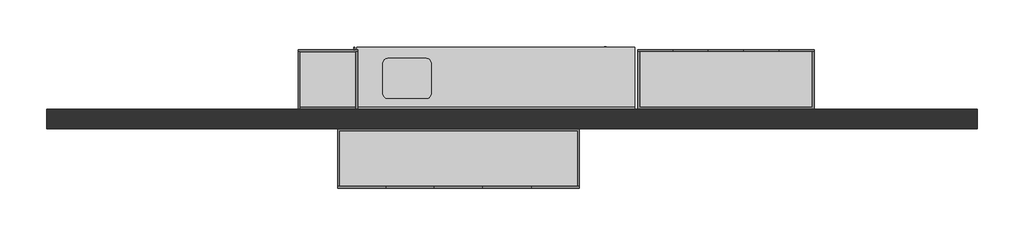
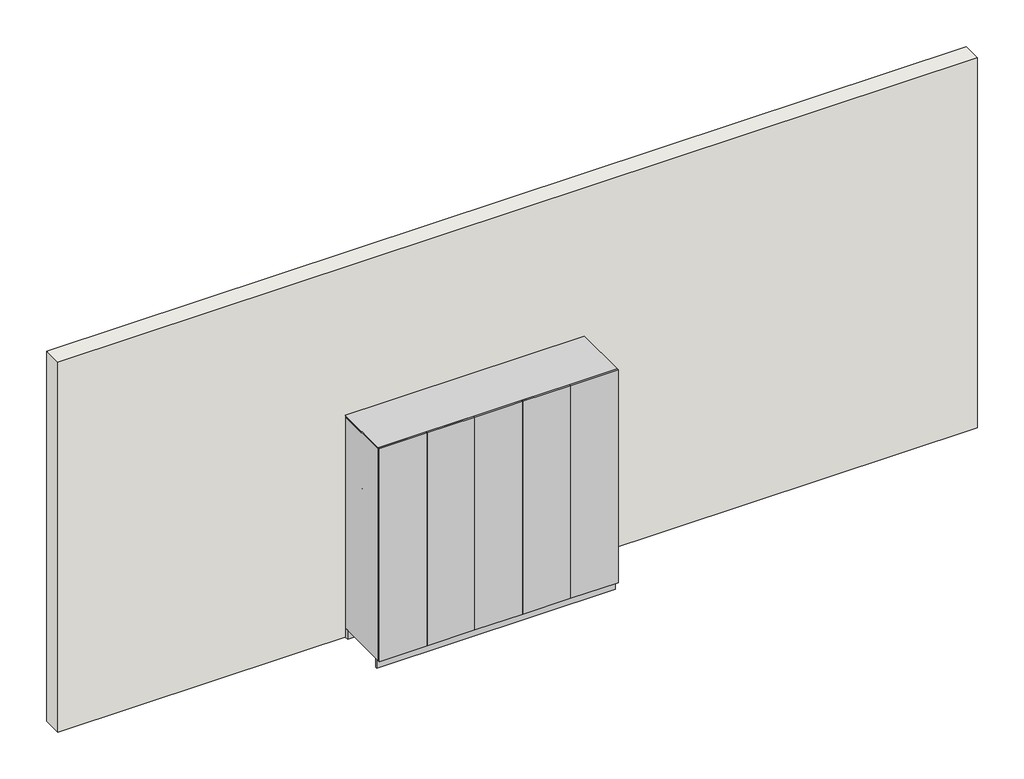
# One storey: 8 furniture elements, 1 wall.
"""IFC4 building model written with IfcOpenShell, lengths in millimetres."""

import ifcopenshell
import ifcopenshell.guid

model = None  # the IFC model being written
_history = None  # IfcOwnerHistory: only IFC2X3 demands one
_inside = {}  # id of a spatial element -> (the spatial element, [elements in it])
_under = {}  # id of a project, library or spatial element -> (it, [spatial elements below it])
_declared = {}  # id of a project -> (the project, [libraries it declares])
_typed = {}  # id of a type object -> (the type object, [elements of that type])
_made_of = {}  # id of a material, layer set ... -> (it, [elements and type objects made of it])


def new_model(schema):
    """Start an empty IFC model of exactly this schema.

    Asked for "IFC4X3", IfcOpenShell would pick the latest addendum, in which some entities
    have other attributes; the version numbers below select the first issue.
    IFC2X3 requires an IfcOwnerHistory on every rooted entity: one is made here for all.
    """
    global model, _history
    if schema == "IFC4X3":
        model = ifcopenshell.file(schema_version=(4, 3, 0, 0))
    else:
        model = ifcopenshell.file(schema=schema)
    _inside.clear()
    _under.clear()
    _declared.clear()
    _typed.clear()
    _made_of.clear()
    _history = None
    if model.schema == "IFC2X3":
        org = make("IfcOrganization", Name="unknown")
        user = make(
            "IfcPersonAndOrganization",
            ThePerson=make("IfcPerson", FamilyName="unknown"),
            TheOrganization=org,
        )
        app = make(
            "IfcApplication",
            ApplicationDeveloper=org,
            Version="unknown",
            ApplicationFullName="unknown",
            ApplicationIdentifier="unknown",
        )
        _history = make(
            "IfcOwnerHistory",
            OwningUser=user,
            OwningApplication=app,
            ChangeAction="ADDED",
            CreationDate=0,
        )
    return model


def make(cls, **values):
    """One entity of the class cls with the attributes given. An attribute that is None is left unset."""
    return model.create_entity(
        cls, **{name: value for name, value in values.items() if value is not None}
    )


def rooted(cls, **values):
    """An entity with a GlobalId (a new one), such as an element, a storey or a relation."""
    return make(cls, GlobalId=ifcopenshell.guid.new(), OwnerHistory=_history, **values)


def si_unit(unit_type, name, prefix=None):
    """IfcSIUnit, for example si_unit("LENGTHUNIT", "METRE", prefix="MILLI")."""
    return make("IfcSIUnit", UnitType=unit_type, Prefix=prefix, Name=name)


def assignment(units):
    """IfcUnitAssignment: the units of a project."""
    return None if units is None else make("IfcUnitAssignment", Units=units)


def point(xyz):
    """IfcCartesianPoint."""
    return None if xyz is None else make("IfcCartesianPoint", Coordinates=xyz)


def direction(xyz):
    """IfcDirection."""
    return None if xyz is None else make("IfcDirection", DirectionRatios=xyz)


def frame(location, z_axis=None, x_axis=None):
    """IfcAxis2Placement3D, a coordinate frame: its origin and axes. An axis left out is left unset."""
    return make(
        "IfcAxis2Placement3D",
        Location=point(location),
        Axis=direction(z_axis),
        RefDirection=direction(x_axis),
    )


def frame_2d(location, x_axis=None):
    """IfcAxis2Placement2D, a coordinate frame in the plane: its origin and x axis."""
    return make(
        "IfcAxis2Placement2D", Location=point(location), RefDirection=direction(x_axis)
    )


def origin():
    """The frame at (0, 0, 0) with its axes left unset."""
    return frame((0.0, 0.0, 0.0))


def origin_with_axes():
    """The frame at (0, 0, 0) with the z axis (0, 0, 1) and the x axis (1, 0, 0) written out."""
    return frame((0.0, 0.0, 0.0), z_axis=(0.0, 0.0, 1.0), x_axis=(1.0, 0.0, 0.0))


def place(relative_to, where):
    """IfcLocalPlacement: puts the frame where relative to a parent placement (None: the world)."""
    return make(
        "IfcLocalPlacement", PlacementRelTo=relative_to, RelativePlacement=where
    )


def context(
    kind, dimensions, precision=None, world=None, true_north=None, identifier=None
):
    """IfcGeometricRepresentationContext, for example the 3D "Model" context."""
    return make(
        "IfcGeometricRepresentationContext",
        ContextIdentifier=identifier,
        ContextType=kind,
        CoordinateSpaceDimension=dimensions,
        Precision=precision,
        WorldCoordinateSystem=world,
        TrueNorth=true_north,
    )


def project(units=None, contexts=None):
    """IfcProject with its units and contexts."""
    return rooted(
        "IfcProject",
        Name="project",
        RepresentationContexts=contexts,
        UnitsInContext=assignment(units),
    )


def spatial(cls, under=None, at=None, **own):
    """A site, building, storey or space (cls), placed at a placement, below another one or the project."""
    s = rooted(cls, ObjectPlacement=at, **own)
    if under is not None:
        _under.setdefault(under.id(), (under, []))[1].append(s)
    return s


def polyline(points):
    """IfcPolyline through the points."""
    return make("IfcPolyline", Points=[point(p) for p in points])


def circle_curve(where, radius):
    """IfcCircle in the frame where."""
    return make("IfcCircle", Position=where, Radius=radius)


def ellipse_curve(where, semi_axis1, semi_axis2):
    """IfcEllipse in the frame where."""
    return make(
        "IfcEllipse", Position=where, SemiAxis1=semi_axis1, SemiAxis2=semi_axis2
    )


def trimmed(basis, trim1, trim2, sense, master):
    """IfcTrimmedCurve: the piece of a basis curve between two trims."""
    return make(
        "IfcTrimmedCurve",
        BasisCurve=basis,
        Trim1=trim1,
        Trim2=trim2,
        SenseAgreement=sense,
        MasterRepresentation=master,
    )


def segment(curve, same_sense, transition):
    """IfcCompositeCurveSegment."""
    return make(
        "IfcCompositeCurveSegment",
        Transition=transition,
        SameSense=same_sense,
        ParentCurve=curve,
    )


def composite_curve(segments, self_intersect=None):
    """IfcCompositeCurve: segments joined end to end."""
    return make("IfcCompositeCurve", Segments=segments, SelfIntersect=self_intersect)


def outline(outer, holes=None, kind="AREA"):
    """IfcArbitraryClosedProfileDef: a profile drawn as a closed curve; with holes, ...WithVoids."""
    if holes is None:
        return make("IfcArbitraryClosedProfileDef", ProfileType=kind, OuterCurve=outer)
    return make(
        "IfcArbitraryProfileDefWithVoids",
        ProfileType=kind,
        OuterCurve=outer,
        InnerCurves=holes,
    )


def extrude(swept, where, along, depth):
    """IfcExtrudedAreaSolid: the profile swept, set in the frame where, extruded along a direction by depth."""
    return make(
        "IfcExtrudedAreaSolid",
        SweptArea=swept,
        Position=where,
        ExtrudedDirection=direction(along),
        Depth=depth,
    )


def faces_of(points, faces, orient=None, outer=None):
    """IfcFace entities. A face is a list of loops; a loop is a list of indices into points, from 0.

    orient and outer hold one flag for each loop. By default every Orientation is true, the
    first loop of a face is its IfcFaceOuterBound and the others are IfcFaceBound.
    """
    made = []
    for i, loops in enumerate(faces):
        bounds = []
        for j, loop in enumerate(loops):
            is_outer = j == 0 if outer is None else outer[i][j]
            bounds.append(
                make(
                    "IfcFaceOuterBound" if is_outer else "IfcFaceBound",
                    Bound=make("IfcPolyLoop", Polygon=[points[k] for k in loop]),
                    Orientation=True if orient is None else orient[i][j],
                )
            )
        made.append(make("IfcFace", Bounds=bounds))
    return made


def faceted_brep(points, faces, orient=None, outer=None, voids=None):
    """IfcFacetedBrep: a solid bounded by flat faces; with voids (closed shells), ...WithVoids."""
    shared = [point(p) for p in points]
    hull = make("IfcClosedShell", CfsFaces=faces_of(shared, faces, orient, outer))
    if voids is None:
        return make("IfcFacetedBrep", Outer=hull)
    return make(
        "IfcFacetedBrepWithVoids",
        Outer=hull,
        Voids=[
            make(cls, CfsFaces=faces_of(shared, fs, o, b)) for cls, fs, o, b in voids
        ],
    )


def shape(context_of_items, identifier, shape_type, items):
    """IfcShapeRepresentation: the items that make up one representation, for example the "Body"."""
    return make(
        "IfcShapeRepresentation",
        ContextOfItems=context_of_items,
        RepresentationIdentifier=identifier,
        RepresentationType=shape_type,
        Items=items,
    )


def source(mapping_origin, context_of_items, identifier, shape_type, items):
    """IfcRepresentationMap: a shape defined once, which mapped items show again and again."""
    return make(
        "IfcRepresentationMap",
        MappingOrigin=mapping_origin,
        MappedRepresentation=shape(context_of_items, identifier, shape_type, items),
    )


def transform(
    local_origin,
    x_axis=None,
    y_axis=None,
    z_axis=None,
    scale=None,
    scale2=None,
    scale3=None,
    uniform=True,
):
    """IfcCartesianTransformationOperator3D, or its non-uniform kind. x_axis, y_axis, z_axis: its Axis1, 2, 3."""
    if uniform:
        return make(
            "IfcCartesianTransformationOperator3D",
            Axis1=direction(x_axis),
            Axis2=direction(y_axis),
            LocalOrigin=point(local_origin),
            Scale=scale,
            Axis3=direction(z_axis),
        )
    return make(
        "IfcCartesianTransformationOperator3DnonUniform",
        Axis1=direction(x_axis),
        Axis2=direction(y_axis),
        LocalOrigin=point(local_origin),
        Scale=scale,
        Axis3=direction(z_axis),
        Scale2=scale2,
        Scale3=scale3,
    )


def mapped(mapping_source, mapping_target):
    """IfcMappedItem: shows the shape of a source again, moved by a transform."""
    return make(
        "IfcMappedItem", MappingSource=mapping_source, MappingTarget=mapping_target
    )


def made_of(thing, what):
    """Note that an element or type object is made of a material, layer set ...; save() writes the relation."""
    if what is not None:
        _made_of.setdefault(what.id(), (what, []))[1].append(thing)
    return thing


def element(
    cls,
    number,
    at=None,
    inside=None,
    cuts=None,
    type_object=None,
    material=None,
    context=None,
    identifier="Body",
    shape_type=None,
    held_by="IfcProductDefinitionShape",
    body=None,
    shapes=None,
    **own,
):
    """One element of the class cls, such as IfcWall. Its Tag is "e" and its number.

    at: its placement. inside: the storey or other place that contains it. cuts: it is an
    opening in that element (IfcRelVoidsElement). A single representation is given by context,
    identifier, shape_type and body (its items); several are given by shapes. held_by: the class
    of the entity that holds the representations. save() writes the other relations.
    """
    e = rooted(cls, Tag="e%d" % number, ObjectPlacement=at, **own)
    if body is not None:
        shapes = [shape(context, identifier, shape_type, body)]
    if shapes is not None:
        e.Representation = make(held_by, Representations=shapes)
    if inside is not None:
        _inside.setdefault(inside.id(), (inside, []))[1].append(e)
    if cuts is not None:
        rooted(
            "IfcRelVoidsElement", RelatingBuildingElement=cuts, RelatedOpeningElement=e
        )
    if type_object is not None:
        _typed.setdefault(type_object.id(), (type_object, []))[1].append(e)
    return made_of(e, material)


def aggregate(whole, parts):
    """IfcRelAggregates: a whole, such as a stair, and the parts it consists of."""
    return rooted("IfcRelAggregates", RelatingObject=whole, RelatedObjects=parts)


def save(model, path):
    """Write the relations noted so far, then the file.

    IfcRelAggregates (storeys below a building ...), IfcRelContainedInSpatialStructure (elements
    in a storey), IfcRelDefinesByType, IfcRelAssociatesMaterial and IfcRelDeclares: one each for
    every whole, place, type object, material and project.
    """
    for whole, parts in _under.values():
        aggregate(whole, parts)
    for where, things in _inside.values():
        rooted(
            "IfcRelContainedInSpatialStructure",
            RelatedElements=things,
            RelatingStructure=where,
        )
    for kind, things in _typed.values():
        rooted("IfcRelDefinesByType", RelatedObjects=things, RelatingType=kind)
    for what, things in _made_of.values():
        rooted("IfcRelAssociatesMaterial", RelatedObjects=things, RelatingMaterial=what)
    for by, libraries in _declared.values():
        rooted("IfcRelDeclares", RelatingContext=by, RelatedDefinitions=libraries)
    model.write(path)


def plane_surface(at):
    """IfcPlane: the flat surface through the origin of the frame at, square to its z axis."""
    return make("IfcPlane", Position=at)


def cylinder_surface(at, radius):
    """IfcCylindricalSurface: all points at the distance radius from the z axis of the frame at."""
    return make("IfcCylindricalSurface", Position=at, Radius=radius)


def revolved_surface(curve, axis_point, axis_direction):
    """IfcSurfaceOfRevolution: the curve turned about the line through axis_point along axis_direction."""
    return make(
        "IfcSurfaceOfRevolution",
        SweptCurve=make("IfcArbitraryOpenProfileDef", ProfileType="CURVE", Curve=curve),
        AxisPosition=make("IfcAxis1Placement", Location=point(axis_point), Axis=direction(axis_direction)),
    )


def advanced_brep(points, edges, surfaces, faces):
    """IfcAdvancedBrep: a solid bounded by faces that lie on surfaces and meet in shared edges.

    An edge is (start, end): straight between two places in points (the first is 0);
    or (start, end, curve); or (start, end, curve, False) where it runs against its curve.
    A face is (place in surfaces, loops), or (place, loops, False) where it looks against
    its surface's normal. A loop lists edges by number (the first is 1), with a minus sign
    where the edge is run from its end to its start. The first loop is the outer one.
    """
    corners = [point(p) for p in points]
    vertices = [make("IfcVertexPoint", VertexGeometry=c) for c in corners]
    made = []
    for start, end, *more in edges:
        made.append(
            make(
                "IfcEdgeCurve",
                EdgeStart=vertices[start],
                EdgeEnd=vertices[end],
                EdgeGeometry=more[0] if more else make("IfcPolyline", Points=[corners[start], corners[end]]),
                SameSense=more[1] if len(more) > 1 else True,
            )
        )
    hull = []
    for where, loops, *sense in faces:
        bounds = []
        for j, loop in enumerate(loops):
            ring = [make("IfcOrientedEdge", EdgeElement=made[abs(k) - 1], Orientation=k > 0) for k in loop]
            bounds.append(
                make(
                    "IfcFaceOuterBound" if j == 0 else "IfcFaceBound",
                    Bound=make("IfcEdgeLoop", EdgeList=ring),
                    Orientation=True,
                )
            )
        hull.append(make("IfcAdvancedFace", Bounds=bounds, FaceSurface=surfaces[where], SameSense=sense[0] if sense else True))
    return make("IfcAdvancedBrep", Outer=make("IfcClosedShell", CfsFaces=hull))


def furniture_24375a72(model_context):
    return source(origin(), model_context, "Body", "AdvancedBrep", [
        advanced_brep(
        [(-1200.4622951, -625.0, 900.0), (1604.8306198, -625.0, 900.0), (1604.8306198, -19.05, 900.0), (-1200.4622951, -19.05, 900.0), (905.8231953, -107.3, 900.0), (1293.2522145, -107.3, 900.0), (1344.0522145, -158.1, 900.0), (1344.0522145, -459.9, 900.0), (1293.2522145, -510.7, 900.0), (905.8231953, -510.7, 900.0), (855.0231953, -459.9, 900.0), (855.0231953, -158.1, 900.0), (1604.8306198, 0.0, 860.0), (1604.8306198, -625.0, 860.0), (-1200.4622951, -625.0, 860.0), (-1200.4622951, 0.0, 860.0), (1293.2522145, -107.3, 860.0), (905.8231953, -107.3, 860.0), (855.0231953, -158.1, 860.0), (855.0231953, -459.9, 860.0), (905.8231953, -510.7, 860.0), (1293.2522145, -510.7, 860.0), (1344.0522145, -459.9, 860.0), (1344.0522145, -158.1, 860.0), (-1200.4622951, 0.0, 1001.6), (1604.8306198, 0.0, 1001.6), (-1200.4622951, -19.05, 1001.6), (1604.8306198, -19.05, 1001.6)],
        [
            (0, 1),
            (1, 2),
            (2, 3),
            (3, 0),
            (4, 5),
            (5, 6, circle_curve(frame((1293.2522145, -158.1, 900.0), z_axis=(0.0, 0.0, -1.0), x_axis=(1.0, 0.0, 0.0)), 50.8)),
            (6, 7),
            (7, 8, circle_curve(frame((1293.2522145, -459.9, 900.0), z_axis=(0.0, 0.0, -1.0), x_axis=(1.0, 0.0, 0.0)), 50.8)),
            (8, 9),
            (9, 10, circle_curve(frame((905.8231953, -459.9, 900.0), z_axis=(0.0, 0.0, -1.0), x_axis=(1.0, 0.0, 0.0)), 50.8)),
            (10, 11),
            (11, 4, circle_curve(frame((905.8231953, -158.1, 900.0), z_axis=(0.0, 0.0, -1.0), x_axis=(1.0, 0.0, 0.0)), 50.8)),
            (12, 13),
            (13, 14),
            (14, 15),
            (15, 12),
            (16, 17),
            (17, 18, circle_curve(frame((905.8231953, -158.1, 860.0), z_axis=(0.0, 0.0, 1.0), x_axis=(1.0, 0.0, 0.0)), 50.8)),
            (18, 19),
            (19, 20, circle_curve(frame((905.8231953, -459.9, 860.0), z_axis=(0.0, 0.0, 1.0), x_axis=(1.0, 0.0, 0.0)), 50.8)),
            (20, 21),
            (21, 22, circle_curve(frame((1293.2522145, -459.9, 860.0), z_axis=(0.0, 0.0, 1.0), x_axis=(1.0, 0.0, 0.0)), 50.8)),
            (22, 23),
            (23, 16, circle_curve(frame((1293.2522145, -158.1, 860.0), z_axis=(0.0, 0.0, 1.0), x_axis=(1.0, 0.0, 0.0)), 50.8)),
            (15, 24),
            (24, 25),
            (25, 12),
            (14, 0),
            (3, 26),
            (26, 24),
            (13, 1),
            (25, 27),
            (27, 2),
            (26, 27),
            (4, 17),
            (16, 5),
            (11, 18),
            (10, 19),
            (9, 20),
            (8, 21),
            (7, 22),
            (6, 23),
        ],
        [
            plane_surface(frame((-1200.4622951, 0.0, 900.0), z_axis=(0.0, 0.0, 1.0), x_axis=(-1.0, 0.0, 0.0))),
            plane_surface(frame((-1200.4622951, 0.0, 860.0), z_axis=(0.0, 0.0, -1.0), x_axis=(1.0, 0.0, 0.0))),
            plane_surface(frame((1604.8306198, 0.0, 900.0), z_axis=(0.0, 1.0, 0.0), x_axis=(0.0, 0.0, -1.0))),
            plane_surface(frame((-1200.4622951, 0.0, 900.0), z_axis=(-1.0, 0.0, 0.0), x_axis=(0.0, 0.0, -1.0))),
            plane_surface(frame((-1200.4622951, -625.0, 900.0), z_axis=(0.0, -1.0, 0.0), x_axis=(0.0, 0.0, -1.0))),
            plane_surface(frame((1604.8306198, -625.0, 900.0), z_axis=(1.0, 0.0, 0.0), x_axis=(0.0, 0.0, -1.0))),
            plane_surface(frame((-1200.4622951, 0.0, 1001.6), z_axis=(0.0, 0.0, 1.0), x_axis=(0.0, -1.0, 0.0))),
            plane_surface(frame((-1200.4622951, -19.05, 1001.6), z_axis=(0.0, -1.0, 0.0), x_axis=(0.0, 0.0, -1.0))),
            plane_surface(frame((1293.2522145, -107.3, 900.0), z_axis=(0.0, -1.0, 0.0), x_axis=(0.0, 0.0, -1.0))),
            revolved_surface(polyline([(956.6231952999999, -158.1, 900.0), (956.6231952999999, -158.1, 860.0)]), (905.8231953, -158.1, 860.0), (0.0, 0.0, 1.0)),
            plane_surface(frame((855.0231953, -158.1, 900.0), z_axis=(1.0, 0.0, 0.0), x_axis=(0.0, 0.0, -1.0))),
            revolved_surface(polyline([(956.6231952999999, -459.9, 900.0), (956.6231952999999, -459.9, 860.0)]), (905.8231953, -459.9, 860.0), (0.0, 0.0, 1.0)),
            plane_surface(frame((905.8231953, -510.7, 900.0), z_axis=(0.0, 1.0, 0.0), x_axis=(0.0, 0.0, -1.0))),
            revolved_surface(polyline([(1344.0522145, -459.9, 900.0), (1344.0522145, -459.9, 860.0)]), (1293.2522145, -459.9, 860.0), (0.0, 0.0, 1.0)),
            plane_surface(frame((1344.0522145, -459.9, 900.0), z_axis=(-1.0, 0.0, 0.0), x_axis=(0.0, 0.0, -1.0))),
            revolved_surface(polyline([(1344.0522145, -158.1, 900.0), (1344.0522145, -158.1, 860.0)]), (1293.2522145, -158.1, 860.0), (0.0, 0.0, 1.0)),
        ],
        [
            (0, [[1, 2, 3, 4], [5, 6, 7, 8, 9, 10, 11, 12]]),
            (1, [[13, 14, 15, 16], [17, 18, 19, 20, 21, 22, 23, 24]]),
            (2, [[-16, 25, 26, 27]]),
            (3, [[-15, 28, -4, 29, 30, -25]]),
            (4, [[-1, -28, -14, 31]]),
            (5, [[-13, -27, 32, 33, -2, -31]]),
            (6, [[-30, 34, -32, -26]]),
            (7, [[-34, -29, -3, -33]]),
            (8, [[35, -17, 36, -5]]),
            (9, [[-35, -12, 37, -18]]),
            (10, [[-37, -11, 38, -19]]),
            (11, [[-38, -10, 39, -20]]),
            (12, [[-39, -9, 40, -21]]),
            (13, [[-40, -8, 41, -22]]),
            (14, [[-41, -7, 42, -23]]),
            (15, [[-36, -24, -42, -6]]),
        ],
    ),
    ])


def furniture_1000mm_952fdc5e(model_context):
    return source(origin(), model_context, "Body", "SolidModel", [
        faceted_brep([(499.6877049, -580.95, 860.0), (499.6877049, -580.95, 100.0), (-462.2122951, -580.95, 100.0), (-462.2122951, -580.95, 860.0), (-481.2622951, -600.0, 860.0), (518.7377049, -600.0, 860.0), (-481.2622951, -600.0, 100.0), (518.7377049, -600.0, 100.0), (-462.2122951, -565.0, 100.0), (-462.2122951, -19.05, 100.0), (-462.2122951, -19.05, 860.0), (-481.2622951, 0.0, 860.0), (-481.2622951, 0.0, 0.0), (-481.2622951, -565.0, 0.0), (-481.2622951, -565.0, 100.0), (499.6877049, -19.05, 100.0), (499.6877049, -19.05, 860.0), (518.7377049, 0.0, 860.0), (518.7377049, 0.0, 0.0), (499.6877049, -565.0, 100.0), (518.7377049, -565.0, 100.0), (518.7377049, -565.0, 0.0)], [[[0, 1, 2, 3]], [[0, 3, 4, 5]], [[5, 4, 6, 7]], [[2, 1, 7, 6]], [[3, 2, 8, 9, 10]], [[4, 3, 10, 11]], [[6, 4, 11, 12, 13, 14]], [[2, 6, 14, 8]], [[10, 9, 15, 16]], [[11, 10, 16, 17]], [[12, 11, 17, 18]], [[1, 0, 16, 15, 19]], [[0, 5, 17, 16]], [[5, 7, 20, 21, 18, 17]], [[7, 1, 19, 20]], [[8, 19, 15, 9]], [[18, 21, 13, 12]], [[13, 21, 20, 19, 8, 14]]]),
        extrude(outline(polyline([(-170.9372951, -625.4), (-272.5372951, -625.4), (-272.5372951, -612.7), (-170.9372951, -612.7), (-170.9372951, -625.4)])), frame((0.0, 0.0, 802.85), z_axis=(0.0, 0.0, 1.0), x_axis=(1.0, 0.0, 0.0)), (0.0, 0.0, 1.0), 12.7),
        extrude(outline(polyline([(310.0127049, -625.4), (208.4127049, -625.4), (208.4127049, -612.7), (310.0127049, -612.7), (310.0127049, -625.4)])), frame((0.0, 0.0, 802.85), z_axis=(0.0, 0.0, 1.0), x_axis=(1.0, 0.0, 0.0)), (0.0, 0.0, 1.0), 12.7),
        extrude(outline(polyline([(-16.1872951, -625.4), (-28.8872951, -625.4), (-28.8872951, -612.7), (-16.1872951, -612.7), (-16.1872951, -625.4)])), frame((0.0, 0.0, 580.6), z_axis=(0.0, 0.0, 1.0), x_axis=(1.0, 0.0, 0.0)), (0.0, 0.0, 1.0), 101.6),
        extrude(outline(polyline([(66.3627049, -625.4), (53.6627049, -625.4), (53.6627049, -612.7), (66.3627049, -612.7), (66.3627049, -625.4)])), frame((0.0, 0.0, 580.6), z_axis=(0.0, 0.0, 1.0), x_axis=(1.0, 0.0, 0.0)), (0.0, 0.0, 1.0), 101.6),
        extrude(outline(polyline([(9.2127049, -612.7), (-462.2122951, -612.7), (-462.2122951, -600.0), (9.2127049, -600.0), (9.2127049, -612.7)])), frame((0.0, 0.0, 739.35), z_axis=(0.0, 0.0, 1.0), x_axis=(1.0, 0.0, 0.0)), (0.0, 0.0, 1.0), 101.6),
        extrude(outline(polyline([(499.6877049, -612.7), (28.2627049, -612.7), (28.2627049, -600.0), (499.6877049, -600.0), (499.6877049, -612.7)])), frame((0.0, 0.0, 739.35), z_axis=(0.0, 0.0, 1.0), x_axis=(1.0, 0.0, 0.0)), (0.0, 0.0, 1.0), 101.6),
        extrude(outline(polyline([(9.2127049, -612.7), (-462.2122951, -612.7), (-462.2122951, -600.0), (9.2127049, -600.0), (9.2127049, -612.7)])), frame((0.0, 0.0, 119.05), z_axis=(0.0, 0.0, 1.0), x_axis=(1.0, 0.0, 0.0)), (0.0, 0.0, 1.0), 601.25),
        extrude(outline(polyline([(499.6877049, -612.7), (28.2627049, -612.7), (28.2627049, -600.0), (499.6877049, -600.0), (499.6877049, -612.7)])), frame((0.0, 0.0, 119.05), z_axis=(0.0, 0.0, 1.0), x_axis=(1.0, 0.0, 0.0)), (0.0, 0.0, 1.0), 601.25),
        extrude(outline(polyline([(499.6877049, -19.05), (499.6877049, -580.95), (-462.2122951, -580.95), (-462.2122951, -19.05), (499.6877049, -19.05)])), frame((0.0, 0.0, 100.0), z_axis=(0.0, 0.0, 1.0), x_axis=(1.0, 0.0, 0.0)), (0.0, 0.0, 1.0), 19.05),
    ])


def furniture_60_x_60_x_90h_70c7c233(model_context):
    return source(origin(), model_context, "Body", "SolidModel", [
        extrude(outline(polyline([(329.7003264, -610.0), (-240.2996736, -610.0), (-240.2996736, -600.0), (329.7003264, -600.0), (329.7003264, -610.0)])), frame((0.0, 0.0, 733.3333333), z_axis=(0.0, 0.0, 1.0), x_axis=(1.0, 0.0, 0.0)), (0.0, 0.0, 1.0), 121.6666667),
        extrude(outline(polyline([(329.7003264, -610.0), (-240.2996736, -610.0), (-240.2996736, -600.0), (329.7003264, -600.0), (329.7003264, -610.0)])), frame((0.0, 0.0, 606.6666667), z_axis=(0.0, 0.0, 1.0), x_axis=(1.0, 0.0, 0.0)), (0.0, 0.0, 1.0), 121.6666667),
        extrude(outline(polyline([(329.7003264, -610.0), (-240.2996736, -610.0), (-240.2996736, -600.0), (329.7003264, -600.0), (329.7003264, -610.0)])), frame((0.0, 0.0, 353.3333333), z_axis=(0.0, 0.0, 1.0), x_axis=(1.0, 0.0, 0.0)), (0.0, 0.0, 1.0), 248.3333333),
        extrude(outline(polyline([(329.7003264, -610.0), (-240.2996736, -610.0), (-240.2996736, -600.0), (329.7003264, -600.0), (329.7003264, -610.0)])), frame((0.0, 0.0, 110.0), z_axis=(0.0, 0.0, 1.0), x_axis=(1.0, 0.0, 0.0)), (0.0, 0.0, 1.0), 238.3333333),
        faceted_brep([(344.7003264, 0.0, 860.0), (-255.2996736, 0.0, 860.0), (-255.2996736, -600.0, 860.0), (344.7003264, -600.0, 860.0), (329.7003264, -15.0, 860.0), (329.7003264, -585.0, 860.0), (-240.2996736, -585.0, 860.0), (-240.2996736, -15.0, 860.0), (344.7003264, 0.0, 100.0), (344.7003264, -600.0, 100.0), (-255.2996736, -600.0, 100.0), (-255.2996736, 0.0, 100.0), (329.7003264, -15.0, 100.0), (-240.2996736, -15.0, 100.0), (-240.2996736, -550.0, 100.0), (329.7003264, -550.0, 100.0), (329.7003264, -550.0, 115.0), (329.7003264, -585.0, 115.0), (-240.2996736, -585.0, 115.0), (-240.2996736, -550.0, 115.0)], [[[0, 1, 2, 3], [4, 5, 6, 7]], [[8, 9, 10, 11], [12, 13, 14, 15]], [[1, 0, 8, 11]], [[2, 1, 11, 10]], [[3, 2, 10, 9]], [[0, 3, 9, 8]], [[5, 4, 12, 15, 16, 17]], [[6, 5, 17, 18]], [[7, 6, 18, 19, 14, 13]], [[4, 7, 13, 12]], [[16, 19, 18, 17]], [[19, 16, 15, 14]]]),
        extrude(outline(polyline([(344.7003264, 0.0), (344.7003264, -550.0), (-255.2996736, -550.0), (-255.2996736, 0.0), (344.7003264, 0.0)]), holes=[polyline([(329.7003264, -15.0), (-240.2996736, -15.0), (-240.2996736, -535.0), (329.7003264, -535.0), (329.7003264, -15.0)])]), origin_with_axes(), (0.0, 0.0, 1.0), 100.0),
        advanced_brep(
        [(44.7003264, -610.0, 310.6687252), (44.7003264, -610.0, 315.9979415), (44.7003264, -610.0, 313.3333333), (44.7003264, -613.75, 310.6687252), (44.7003264, -613.75, 315.9979415), (44.7003264, -626.2222894, 303.4678456), (44.7003264, -626.2222894, 323.1988211), (44.7003264, -631.0705081, 306.2669659), (44.7003264, -631.0705081, 320.3997008), (44.7003264, -631.0705081, 313.3333333)],
        [
            (0, 1, circle_curve(frame((44.7003264, -610.0, 313.3333333), z_axis=(0.0, 1.0, 0.0), x_axis=(0.0, 0.0, 1.0)), 2.6646081)),
            (1, 2),
            (2, 0),
            (1, 0, circle_curve(frame((44.7003264, -610.0, 313.3333333), z_axis=(0.0, 1.0, 0.0), x_axis=(0.0, 0.0, 1.0)), 2.6646081)),
            (3, 4, circle_curve(frame((44.7003264, -613.75, 313.3333333), z_axis=(0.0, 1.0, 0.0), x_axis=(0.0, 0.0, 1.0)), 2.6646081)),
            (4, 1),
            (0, 3),
            (4, 3, circle_curve(frame((44.7003264, -613.75, 313.3333333), z_axis=(0.0, 1.0, 0.0), x_axis=(0.0, 0.0, 1.0)), 2.6646081)),
            (5, 6, circle_curve(frame((44.7003264, -626.2222894, 313.3333333), z_axis=(0.0, 1.0, 0.0), x_axis=(0.0, 0.0, 1.0)), 9.8654878)),
            (6, 4),
            (3, 5),
            (6, 5, circle_curve(frame((44.7003264, -626.2222894, 313.3333333), z_axis=(0.0, 1.0, 0.0), x_axis=(0.0, 0.0, 1.0)), 9.8654878)),
            (7, 8, circle_curve(frame((44.7003264, -631.0705081, 313.3333333), z_axis=(0.0, 1.0, 0.0), x_axis=(0.0, 0.0, 1.0)), 7.0663674)),
            (8, 6, circle_curve(frame((44.7003264, -627.8383623, 320.3997008), z_axis=(-1.0, 0.0, 0.0), x_axis=(0.0, 1.0, 0.0)), 3.2321458)),
            (5, 7, circle_curve(frame((44.7003264, -627.8383623, 306.2669659), z_axis=(-1.0, 0.0, 0.0), x_axis=(0.0, 1.0, 0.0)), 3.2321458)),
            (8, 7, circle_curve(frame((44.7003264, -631.0705081, 313.3333333), z_axis=(0.0, 1.0, 0.0), x_axis=(0.0, 0.0, 1.0)), 7.0663674)),
            (9, 8),
            (7, 9),
        ],
        [
            plane_surface(frame((44.7003264, -610.0, 313.3333333), z_axis=(0.0, 1.0, 0.0), x_axis=(0.0, 0.0, 1.0))),
            cylinder_surface(frame((44.7003264, -610.0, 313.3333333), z_axis=(0.0, -1.0, 0.0), x_axis=(0.0, 0.0, 1.0)), 2.6646081),
            revolved_surface(polyline([(44.7003264, -613.75, 315.9979415), (44.7003264, -626.2222894, 323.1988211)]), (44.7003264, -610.0, 313.3333333), (0.0, -1.0, 0.0)),
            revolved_surface(trimmed(ellipse_curve(frame((44.7003264, -627.8383623, 320.3997008), z_axis=(1.0, 0.0, 0.0), x_axis=(0.0, 1.0, 0.0)), 3.2321458, 3.2321458), [point((44.7003264, -626.2222894, 323.1988211))], [point((44.7003264, -631.0705081, 320.3997008))], True, "CARTESIAN"), (44.7003264, -610.0, 313.3333333), (0.0, -1.0, 0.0)),
            plane_surface(frame((44.7003264, -631.0705081, 313.3333333), z_axis=(0.0, -1.0, 0.0), x_axis=(0.0, 0.0, 1.0))),
        ],
        [
            (0, [[1, 2, 3]]),
            (0, [[4, -3, -2]]),
            (1, [[5, 6, -1, 7]]),
            (1, [[8, -7, -4, -6]]),
            (2, [[9, 10, -5, 11]]),
            (2, [[12, -11, -8, -10]]),
            (3, [[13, 14, -9, 15]]),
            (3, [[16, -15, -12, -14]]),
            (4, [[17, -13, 18]]),
            (4, [[-18, -16, -17]]),
        ],
    ),
        advanced_brep(
        [(44.7003264, -610.0, 564.0020585), (44.7003264, -610.0, 569.3312748), (44.7003264, -610.0, 566.6666667), (44.7003264, -613.75, 564.0020585), (44.7003264, -613.75, 569.3312748), (44.7003264, -626.2222894, 556.8011789), (44.7003264, -626.2222894, 576.5321544), (44.7003264, -631.0705081, 559.6002992), (44.7003264, -631.0705081, 573.7330341), (44.7003264, -631.0705081, 566.6666667)],
        [
            (0, 1, circle_curve(frame((44.7003264, -610.0, 566.6666667), z_axis=(0.0, 1.0, 0.0), x_axis=(0.0, 0.0, 1.0)), 2.6646081)),
            (1, 2),
            (2, 0),
            (1, 0, circle_curve(frame((44.7003264, -610.0, 566.6666667), z_axis=(0.0, 1.0, 0.0), x_axis=(0.0, 0.0, 1.0)), 2.6646081)),
            (3, 4, circle_curve(frame((44.7003264, -613.75, 566.6666667), z_axis=(0.0, 1.0, 0.0), x_axis=(0.0, 0.0, 1.0)), 2.6646081)),
            (4, 1),
            (0, 3),
            (4, 3, circle_curve(frame((44.7003264, -613.75, 566.6666667), z_axis=(0.0, 1.0, 0.0), x_axis=(0.0, 0.0, 1.0)), 2.6646081)),
            (5, 6, circle_curve(frame((44.7003264, -626.2222894, 566.6666667), z_axis=(0.0, 1.0, 0.0), x_axis=(0.0, 0.0, 1.0)), 9.8654878)),
            (6, 4),
            (3, 5),
            (6, 5, circle_curve(frame((44.7003264, -626.2222894, 566.6666667), z_axis=(0.0, 1.0, 0.0), x_axis=(0.0, 0.0, 1.0)), 9.8654878)),
            (7, 8, circle_curve(frame((44.7003264, -631.0705081, 566.6666667), z_axis=(0.0, 1.0, 0.0), x_axis=(0.0, 0.0, 1.0)), 7.0663674)),
            (8, 6, circle_curve(frame((44.7003264, -627.8383623, 573.7330341), z_axis=(-1.0, 0.0, 0.0), x_axis=(0.0, 1.0, 0.0)), 3.2321458)),
            (5, 7, circle_curve(frame((44.7003264, -627.8383623, 559.6002992), z_axis=(-1.0, 0.0, 0.0), x_axis=(0.0, 1.0, 0.0)), 3.2321458)),
            (8, 7, circle_curve(frame((44.7003264, -631.0705081, 566.6666667), z_axis=(0.0, 1.0, 0.0), x_axis=(0.0, 0.0, 1.0)), 7.0663674)),
            (9, 8),
            (7, 9),
        ],
        [
            plane_surface(frame((44.7003264, -610.0, 566.6666667), z_axis=(0.0, 1.0, 0.0), x_axis=(0.0, 0.0, 1.0))),
            cylinder_surface(frame((44.7003264, -610.0, 566.6666667), z_axis=(0.0, -1.0, 0.0), x_axis=(0.0, 0.0, 1.0)), 2.6646081),
            revolved_surface(polyline([(44.7003264, -613.75, 569.3312748), (44.7003264, -626.2222894, 576.5321544)]), (44.7003264, -610.0, 566.6666667), (0.0, -1.0, 0.0)),
            revolved_surface(trimmed(ellipse_curve(frame((44.7003264, -627.8383623, 573.7330341), z_axis=(1.0, 0.0, 0.0), x_axis=(0.0, 1.0, 0.0)), 3.2321458, 3.2321458), [point((44.7003264, -626.2222894, 576.5321544))], [point((44.7003264, -631.0705081, 573.7330341))], True, "CARTESIAN"), (44.7003264, -610.0, 566.6666667), (0.0, -1.0, 0.0)),
            plane_surface(frame((44.7003264, -631.0705081, 566.6666667), z_axis=(0.0, -1.0, 0.0), x_axis=(0.0, 0.0, 1.0))),
        ],
        [
            (0, [[1, 2, 3]]),
            (0, [[4, -3, -2]]),
            (1, [[5, 6, -1, 7]]),
            (1, [[8, -7, -4, -6]]),
            (2, [[9, 10, -5, 11]]),
            (2, [[12, -11, -8, -10]]),
            (3, [[13, 14, -9, 15]]),
            (3, [[16, -15, -12, -14]]),
            (4, [[17, -13, 18]]),
            (4, [[-18, -16, -17]]),
        ],
    ),
        advanced_brep(
        [(44.7003264, -610.0, 690.6687252), (44.7003264, -610.0, 695.9979415), (44.7003264, -610.0, 693.3333333), (44.7003264, -613.75, 690.6687252), (44.7003264, -613.75, 695.9979415), (44.7003264, -626.2222894, 683.4678456), (44.7003264, -626.2222894, 703.1988211), (44.7003264, -631.0705081, 686.2669659), (44.7003264, -631.0705081, 700.3997008), (44.7003264, -631.0705081, 693.3333333)],
        [
            (0, 1, circle_curve(frame((44.7003264, -610.0, 693.3333333), z_axis=(0.0, 1.0, 0.0), x_axis=(0.0, 0.0, 1.0)), 2.6646081)),
            (1, 2),
            (2, 0),
            (1, 0, circle_curve(frame((44.7003264, -610.0, 693.3333333), z_axis=(0.0, 1.0, 0.0), x_axis=(0.0, 0.0, 1.0)), 2.6646081)),
            (3, 4, circle_curve(frame((44.7003264, -613.75, 693.3333333), z_axis=(0.0, 1.0, 0.0), x_axis=(0.0, 0.0, 1.0)), 2.6646081)),
            (4, 1),
            (0, 3),
            (4, 3, circle_curve(frame((44.7003264, -613.75, 693.3333333), z_axis=(0.0, 1.0, 0.0), x_axis=(0.0, 0.0, 1.0)), 2.6646081)),
            (5, 6, circle_curve(frame((44.7003264, -626.2222894, 693.3333333), z_axis=(0.0, 1.0, 0.0), x_axis=(0.0, 0.0, 1.0)), 9.8654878)),
            (6, 4),
            (3, 5),
            (6, 5, circle_curve(frame((44.7003264, -626.2222894, 693.3333333), z_axis=(0.0, 1.0, 0.0), x_axis=(0.0, 0.0, 1.0)), 9.8654878)),
            (7, 8, circle_curve(frame((44.7003264, -631.0705081, 693.3333333), z_axis=(0.0, 1.0, 0.0), x_axis=(0.0, 0.0, 1.0)), 7.0663674)),
            (8, 6, circle_curve(frame((44.7003264, -627.8383623, 700.3997008), z_axis=(-1.0, 0.0, 0.0), x_axis=(0.0, 1.0, 0.0)), 3.2321458)),
            (5, 7, circle_curve(frame((44.7003264, -627.8383623, 686.2669659), z_axis=(-1.0, 0.0, 0.0), x_axis=(0.0, 1.0, 0.0)), 3.2321458)),
            (8, 7, circle_curve(frame((44.7003264, -631.0705081, 693.3333333), z_axis=(0.0, 1.0, 0.0), x_axis=(0.0, 0.0, 1.0)), 7.0663674)),
            (9, 8),
            (7, 9),
        ],
        [
            plane_surface(frame((44.7003264, -610.0, 693.3333333), z_axis=(0.0, 1.0, 0.0), x_axis=(0.0, 0.0, 1.0))),
            cylinder_surface(frame((44.7003264, -610.0, 693.3333333), z_axis=(0.0, -1.0, 0.0), x_axis=(0.0, 0.0, 1.0)), 2.6646081),
            revolved_surface(polyline([(44.7003264, -613.75, 695.9979415), (44.7003264, -626.2222894, 703.1988211)]), (44.7003264, -610.0, 693.3333333), (0.0, -1.0, 0.0)),
            revolved_surface(trimmed(ellipse_curve(frame((44.7003264, -627.8383623, 700.3997008), z_axis=(1.0, 0.0, 0.0), x_axis=(0.0, 1.0, 0.0)), 3.2321458, 3.2321458), [point((44.7003264, -626.2222894, 703.1988211))], [point((44.7003264, -631.0705081, 700.3997008))], True, "CARTESIAN"), (44.7003264, -610.0, 693.3333333), (0.0, -1.0, 0.0)),
            plane_surface(frame((44.7003264, -631.0705081, 693.3333333), z_axis=(0.0, -1.0, 0.0), x_axis=(0.0, 0.0, 1.0))),
        ],
        [
            (0, [[1, 2, 3]]),
            (0, [[4, -3, -2]]),
            (1, [[5, 6, -1, 7]]),
            (1, [[8, -7, -4, -6]]),
            (2, [[9, 10, -5, 11]]),
            (2, [[12, -11, -8, -10]]),
            (3, [[13, 14, -9, 15]]),
            (3, [[16, -15, -12, -14]]),
            (4, [[17, -13, 18]]),
            (4, [[-18, -16, -17]]),
        ],
    ),
        advanced_brep(
        [(44.7003264, -610.0, 817.3353919), (44.7003264, -610.0, 822.6646081), (44.7003264, -610.0, 820.0), (44.7003264, -613.75, 817.3353919), (44.7003264, -613.75, 822.6646081), (44.7003264, -626.2222894, 810.1345122), (44.7003264, -626.2222894, 829.8654878), (44.7003264, -631.0705081, 812.9336326), (44.7003264, -631.0705081, 827.0663674), (44.7003264, -631.0705081, 820.0)],
        [
            (0, 1, circle_curve(frame((44.7003264, -610.0, 820.0), z_axis=(0.0, 1.0, 0.0), x_axis=(0.0, 0.0, 1.0)), 2.6646081)),
            (1, 2),
            (2, 0),
            (1, 0, circle_curve(frame((44.7003264, -610.0, 820.0), z_axis=(0.0, 1.0, 0.0), x_axis=(0.0, 0.0, 1.0)), 2.6646081)),
            (3, 4, circle_curve(frame((44.7003264, -613.75, 820.0), z_axis=(0.0, 1.0, 0.0), x_axis=(0.0, 0.0, 1.0)), 2.6646081)),
            (4, 1),
            (0, 3),
            (4, 3, circle_curve(frame((44.7003264, -613.75, 820.0), z_axis=(0.0, 1.0, 0.0), x_axis=(0.0, 0.0, 1.0)), 2.6646081)),
            (5, 6, circle_curve(frame((44.7003264, -626.2222894, 820.0), z_axis=(0.0, 1.0, 0.0), x_axis=(0.0, 0.0, 1.0)), 9.8654878)),
            (6, 4),
            (3, 5),
            (6, 5, circle_curve(frame((44.7003264, -626.2222894, 820.0), z_axis=(0.0, 1.0, 0.0), x_axis=(0.0, 0.0, 1.0)), 9.8654878)),
            (7, 8, circle_curve(frame((44.7003264, -631.0705081, 820.0), z_axis=(0.0, 1.0, 0.0), x_axis=(0.0, 0.0, 1.0)), 7.0663674)),
            (8, 6, circle_curve(frame((44.7003264, -627.8383623, 827.0663674), z_axis=(-1.0, 0.0, 0.0), x_axis=(0.0, 1.0, 0.0)), 3.2321458)),
            (5, 7, circle_curve(frame((44.7003264, -627.8383623, 812.9336326), z_axis=(-1.0, 0.0, 0.0), x_axis=(0.0, 1.0, 0.0)), 3.2321458)),
            (8, 7, circle_curve(frame((44.7003264, -631.0705081, 820.0), z_axis=(0.0, 1.0, 0.0), x_axis=(0.0, 0.0, 1.0)), 7.0663674)),
            (9, 8),
            (7, 9),
        ],
        [
            plane_surface(frame((44.7003264, -610.0, 820.0), z_axis=(0.0, 1.0, 0.0), x_axis=(0.0, 0.0, 1.0))),
            cylinder_surface(frame((44.7003264, -610.0, 820.0), z_axis=(0.0, -1.0, 0.0), x_axis=(0.0, 0.0, 1.0)), 2.6646081),
            revolved_surface(polyline([(44.7003264, -613.75, 822.6646081), (44.7003264, -626.2222894, 829.8654878)]), (44.7003264, -610.0, 820.0), (0.0, -1.0, 0.0)),
            revolved_surface(trimmed(ellipse_curve(frame((44.7003264, -627.8383623, 827.0663674), z_axis=(1.0, 0.0, 0.0), x_axis=(0.0, 1.0, 0.0)), 3.2321458, 3.2321458), [point((44.7003264, -626.2222894, 829.8654878))], [point((44.7003264, -631.0705081, 827.0663674))], True, "CARTESIAN"), (44.7003264, -610.0, 820.0), (0.0, -1.0, 0.0)),
            plane_surface(frame((44.7003264, -631.0705081, 820.0), z_axis=(0.0, -1.0, 0.0), x_axis=(0.0, 0.0, 1.0))),
        ],
        [
            (0, [[1, 2, 3]]),
            (0, [[4, -3, -2]]),
            (1, [[5, 6, -1, 7]]),
            (1, [[8, -7, -4, -6]]),
            (2, [[9, 10, -5, 11]]),
            (2, [[12, -11, -8, -10]]),
            (3, [[13, 14, -9, 15]]),
            (3, [[16, -15, -12, -14]]),
            (4, [[17, -13, 18]]),
            (4, [[-18, -16, -17]]),
        ],
    ),
    ])


def furniture_600mm_74c6c1e3(model_context):
    return source(origin(), model_context, "Body", "SolidModel", [
        faceted_brep([(299.6877049, -580.95, 860.0), (299.6877049, -580.95, 100.0), (-262.2122951, -580.95, 100.0), (-262.2122951, -580.95, 860.0), (-281.2622951, -600.0, 860.0), (318.7377049, -600.0, 860.0), (-281.2622951, -600.0, 100.0), (318.7377049, -600.0, 100.0), (-262.2122951, -565.0, 100.0), (-262.2122951, -19.05, 100.0), (-262.2122951, -19.05, 860.0), (-281.2622951, 0.0, 860.0), (-281.2622951, 0.0, 0.0), (-281.2622951, -565.0, 0.0), (-281.2622951, -565.0, 100.0), (299.6877049, -19.05, 100.0), (299.6877049, -19.05, 860.0), (318.7377049, 0.0, 860.0), (318.7377049, 0.0, 0.0), (299.6877049, -565.0, 100.0), (318.7377049, -565.0, 100.0), (318.7377049, -565.0, 0.0)], [[[0, 1, 2, 3]], [[0, 3, 4, 5]], [[5, 4, 6, 7]], [[2, 1, 7, 6]], [[3, 2, 8, 9, 10]], [[4, 3, 10, 11]], [[6, 4, 11, 12, 13, 14]], [[2, 6, 14, 8]], [[10, 9, 15, 16]], [[11, 10, 16, 17]], [[12, 11, 17, 18]], [[1, 0, 16, 15, 19]], [[0, 5, 17, 16]], [[5, 7, 20, 21, 18, 17]], [[7, 1, 19, 20]], [[8, 19, 15, 9]], [[18, 21, 13, 12]], [[13, 21, 20, 19, 8, 14]]]),
        extrude(outline(polyline([(-70.9372951, -625.4), (-172.5372951, -625.4), (-172.5372951, -612.7), (-70.9372951, -612.7), (-70.9372951, -625.4)])), frame((0.0, 0.0, 802.85), z_axis=(0.0, 0.0, 1.0), x_axis=(1.0, 0.0, 0.0)), (0.0, 0.0, 1.0), 12.7),
        extrude(outline(polyline([(210.0127049, -625.4), (108.4127049, -625.4), (108.4127049, -612.7), (210.0127049, -612.7), (210.0127049, -625.4)])), frame((0.0, 0.0, 802.85), z_axis=(0.0, 0.0, 1.0), x_axis=(1.0, 0.0, 0.0)), (0.0, 0.0, 1.0), 12.7),
        extrude(outline(polyline([(-16.1872951, -625.4), (-28.8872951, -625.4), (-28.8872951, -612.7), (-16.1872951, -612.7), (-16.1872951, -625.4)])), frame((0.0, 0.0, 580.6), z_axis=(0.0, 0.0, 1.0), x_axis=(1.0, 0.0, 0.0)), (0.0, 0.0, 1.0), 101.6),
        extrude(outline(polyline([(66.3627049, -625.4), (53.6627049, -625.4), (53.6627049, -612.7), (66.3627049, -612.7), (66.3627049, -625.4)])), frame((0.0, 0.0, 580.6), z_axis=(0.0, 0.0, 1.0), x_axis=(1.0, 0.0, 0.0)), (0.0, 0.0, 1.0), 101.6),
        extrude(outline(polyline([(9.2127049, -612.7), (-262.2122951, -612.7), (-262.2122951, -600.0), (9.2127049, -600.0), (9.2127049, -612.7)])), frame((0.0, 0.0, 739.35), z_axis=(0.0, 0.0, 1.0), x_axis=(1.0, 0.0, 0.0)), (0.0, 0.0, 1.0), 101.6),
        extrude(outline(polyline([(299.6877049, -612.7), (28.2627049, -612.7), (28.2627049, -600.0), (299.6877049, -600.0), (299.6877049, -612.7)])), frame((0.0, 0.0, 739.35), z_axis=(0.0, 0.0, 1.0), x_axis=(1.0, 0.0, 0.0)), (0.0, 0.0, 1.0), 101.6),
        extrude(outline(polyline([(9.2127049, -612.7), (-262.2122951, -612.7), (-262.2122951, -600.0), (9.2127049, -600.0), (9.2127049, -612.7)])), frame((0.0, 0.0, 119.05), z_axis=(0.0, 0.0, 1.0), x_axis=(1.0, 0.0, 0.0)), (0.0, 0.0, 1.0), 601.25),
        extrude(outline(polyline([(299.6877049, -612.7), (28.2627049, -612.7), (28.2627049, -600.0), (299.6877049, -600.0), (299.6877049, -612.7)])), frame((0.0, 0.0, 119.05), z_axis=(0.0, 0.0, 1.0), x_axis=(1.0, 0.0, 0.0)), (0.0, 0.0, 1.0), 601.25),
        extrude(outline(polyline([(299.6877049, -19.05), (299.6877049, -580.95), (-262.2122951, -580.95), (-262.2122951, -19.05), (299.6877049, -19.05)])), frame((0.0, 0.0, 100.0), z_axis=(0.0, 0.0, 1.0), x_axis=(1.0, 0.0, 0.0)), (0.0, 0.0, 1.0), 19.05),
    ])


def furniture_600mm_e06024f3(model_context):
    return source(origin(), model_context, "Body", "SolidModel", [
        faceted_brep([(318.7377049, 580.95, 161.5875), (-281.2622951, 580.95, 161.5875), (-281.2622951, 580.95, 2000.0), (318.7377049, 580.95, 2000.0), (299.6877049, 580.95, 1980.95), (-262.2122951, 580.95, 1980.95), (-262.2122951, 580.95, 180.6375), (299.6877049, 580.95, 180.6375), (-281.2622951, 0.0, 2000.0), (-281.2622951, 0.0, 0.0), (318.7377049, 0.0, 0.0), (318.7377049, 0.0, 2000.0), (299.6877049, 0.0, 1980.95), (299.6877049, 0.0, 180.6375), (-262.2122951, 0.0, 180.6375), (-262.2122951, 0.0, 1980.95), (318.7377049, 565.0, 0.0), (318.7377049, 565.0, 161.5875), (-281.2622951, 565.0, 161.5875), (-281.2622951, 565.0, 0.0)], [[[0, 1, 2, 3], [4, 5, 6, 7]], [[8, 9, 10, 11], [12, 13, 14, 15]], [[3, 11, 10, 16, 17, 0]], [[2, 8, 11, 3]], [[1, 18, 19, 9, 8, 2]], [[0, 17, 18, 1]], [[7, 13, 12, 4]], [[6, 14, 13, 7]], [[5, 15, 14, 6]], [[4, 12, 15, 5]], [[10, 9, 19, 16]], [[19, 18, 17, 16]]]),
        extrude(outline(polyline([(293.3377049, 625.4), (293.3377049, 600.0), (280.8054733, 600.0), (280.8054733, 625.4), (293.3377049, 625.4)])), frame((0.0, 0.0, 1269.9480367), z_axis=(0.0, 0.0, 1.0), x_axis=(1.0, 0.0, 0.0)), (0.0, 0.0, 1.0), 101.6),
        extrude(outline(polyline([(293.3377049, 625.4), (293.3377049, 600.0), (280.8054733, 600.0), (280.8054733, 625.4), (293.3377049, 625.4)])), frame((0.0, 0.0, 1117.5480367), z_axis=(0.0, 0.0, 1.0), x_axis=(1.0, 0.0, 0.0)), (0.0, 0.0, 1.0), 101.6),
        extrude(outline(polyline([(255.2377049, 587.3), (255.2377049, 580.95), (-217.7622951, 580.95), (-217.7622951, 587.3), (255.2377049, 587.3)])), frame((0.0, 0.0, 1308.0480367), z_axis=(0.0, 0.0, 1.0), x_axis=(1.0, 0.0, 0.0)), (0.0, 0.0, 1.0), 628.4519633),
        extrude(outline(polyline([(255.2377049, 587.3), (255.2377049, 580.95), (-217.7622951, 580.95), (-217.7622951, 587.3), (255.2377049, 587.3)])), frame((0.0, 0.0, 225.0875), z_axis=(0.0, 0.0, 1.0), x_axis=(1.0, 0.0, 0.0)), (0.0, 0.0, 1.0), 955.9605367),
        extrude(outline(polyline([(2000.0, 318.7377049), (2000.0, -281.2622951), (1247.7230367, -281.2622951), (1247.7230367, 318.7377049), (2000.0, 318.7377049)]), holes=[polyline([(1936.5, 255.2377049), (1308.0480367, 255.2377049), (1308.0480367, -217.7622951), (1936.5, -217.7622951), (1936.5, 255.2377049)])]), frame((0.0, 580.95, 0.0), z_axis=(0.0, 1.0, 0.0), x_axis=(0.0, 0.0, 1.0)), (0.0, 0.0, 1.0), 19.05),
        extrude(outline(polyline([(161.5875, 318.7377049), (1241.3730367, 318.7377049), (1241.3730367, -281.2622951), (161.5875, -281.2622951), (161.5875, 318.7377049)]), holes=[polyline([(1181.0480367, 255.2377049), (225.0875, 255.2377049), (225.0875, -217.7622951), (1181.0480367, -217.7622951), (1181.0480367, 255.2377049)])]), frame((0.0, 580.95, 0.0), z_axis=(0.0, 1.0, 0.0), x_axis=(0.0, 0.0, 1.0)), (0.0, 0.0, 1.0), 19.05),
        extrude(outline(polyline([(299.6877049, 19.05), (299.6877049, 0.0), (-262.2122951, 0.0), (-262.2122951, 19.05), (299.6877049, 19.05)])), frame((0.0, 0.0, 180.6375), z_axis=(0.0, 0.0, 1.0), x_axis=(1.0, 0.0, 0.0)), (0.0, 0.0, 1.0), 1800.3125),
    ])


def robe_2_pick_family_5772_e962e445(model_context):
    return source(origin(), model_context, "Body", "SweptSolid", [
        extrude(outline(polyline([(1424.0, 600.0), (1424.0, 582.0), (1068.0, 582.0), (1068.0, 600.0), (1424.0, 600.0)])), frame((0.0, 0.0, 100.0), z_axis=(0.0, 0.0, 1.0), x_axis=(1.0, 0.0, 0.0)), (0.0, 0.0, 1.0), 2300.0),
        extrude(outline(polyline([(1068.0, 600.0), (1068.0, 582.0), (712.0, 582.0), (712.0, 600.0), (1068.0, 600.0)])), frame((0.0, 0.0, 100.0), z_axis=(0.0, 0.0, 1.0), x_axis=(1.0, 0.0, 0.0)), (0.0, 0.0, 1.0), 2300.0),
        extrude(outline(polyline([(712.0, 600.0), (712.0, 582.0), (356.0, 582.0), (356.0, 600.0), (712.0, 600.0)])), frame((0.0, 0.0, 100.0), z_axis=(0.0, 0.0, 1.0), x_axis=(1.0, 0.0, 0.0)), (0.0, 0.0, 1.0), 2300.0),
        extrude(outline(polyline([(1780.0, 600.0), (1780.0, 582.0), (1424.0, 582.0), (1424.0, 600.0), (1780.0, 600.0)])), frame((0.0, 0.0, 100.0), z_axis=(0.0, 0.0, 1.0), x_axis=(1.0, 0.0, 0.0)), (0.0, 0.0, 1.0), 2300.0),
        extrude(outline(polyline([(356.0, 600.0), (356.0, 582.0), (0.0, 582.0), (0.0, 600.0), (356.0, 600.0)])), frame((0.0, 0.0, 100.0), z_axis=(0.0, 0.0, 1.0), x_axis=(1.0, 0.0, 0.0)), (0.0, 0.0, 1.0), 2300.0),
        extrude(outline(polyline([(0.0, 0.0), (0.0, 582.0), (18.0, 582.0), (18.0, 18.0), (1762.0, 18.0), (1762.0, 582.0), (1780.0, 582.0), (1780.0, 0.0), (0.0, 0.0)])), frame((0.0, 0.0, 100.0), z_axis=(0.0, 0.0, 1.0), x_axis=(1.0, 0.0, 0.0)), (0.0, 0.0, 1.0), 2282.0),
        extrude(outline(composite_curve([segment(trimmed(circle_curve(frame_2d((275.0, 1750.0)), 15.0), [point((290.0, 1750.0))], [point((260.0, 1750.0))], False, "CARTESIAN"), True, "CONTINUOUS"), segment(trimmed(circle_curve(frame_2d((275.0, 1750.0)), 15.0), [point((260.0, 1750.0))], [point((290.0, 1750.0))], False, "CARTESIAN"), True, "CONTINUOUS")], self_intersect=False)), frame((18.0, 0.0, 0.0), z_axis=(1.0, 0.0, 0.0), x_axis=(0.0, 1.0, 0.0)), (0.0, 0.0, 1.0), 1744.0),
        extrude(outline(polyline([(1762.0, 18.0), (18.0, 18.0), (18.0, 582.0), (1762.0, 582.0), (1762.0, 18.0)])), frame((0.0, 0.0, 100.0), z_axis=(0.0, 0.0, 1.0), x_axis=(1.0, 0.0, 0.0)), (0.0, 0.0, 1.0), 18.0),
        extrude(outline(polyline([(1780.0, 0.0), (0.0, 0.0), (0.0, 582.0), (1780.0, 582.0), (1780.0, 0.0)])), frame((0.0, 0.0, 2382.0), z_axis=(0.0, 0.0, 1.0), x_axis=(1.0, 0.0, 0.0)), (0.0, 0.0, 1.0), 18.0),
        extrude(outline(polyline([(1780.0, 0.0), (0.0, 0.0), (0.0, 40.0), (1780.0, 40.0), (1780.0, 0.0)])), origin_with_axes(), (0.0, 0.0, 1.0), 100.0),
        extrude(outline(polyline([(1780.0, 535.0), (0.0, 535.0), (0.0, 553.0), (1780.0, 553.0), (1780.0, 535.0)])), origin_with_axes(), (0.0, 0.0, 1.0), 100.0),
        extrude(outline(polyline([(1762.0, 18.0), (18.0, 18.0), (18.0, 550.0), (1762.0, 550.0), (1762.0, 18.0)])), frame((0.0, 0.0, 1791.0), z_axis=(0.0, 0.0, 1.0), x_axis=(1.0, 0.0, 0.0)), (0.0, 0.0, 1.0), 18.0),
    ])


def robe_2_pick_family_5772_338ed594(model_context):
    return source(origin(), model_context, "Body", "SweptSolid", [
        extrude(outline(polyline([(1952.0, -600.0), (1464.0, -600.0), (1464.0, -582.0), (1952.0, -582.0), (1952.0, -600.0)])), frame((0.0, 0.0, 100.0), z_axis=(0.0, 0.0, 1.0), x_axis=(1.0, 0.0, 0.0)), (0.0, 0.0, 1.0), 2300.0),
        extrude(outline(polyline([(1464.0, -600.0), (976.0, -600.0), (976.0, -582.0), (1464.0, -582.0), (1464.0, -600.0)])), frame((0.0, 0.0, 100.0), z_axis=(0.0, 0.0, 1.0), x_axis=(1.0, 0.0, 0.0)), (0.0, 0.0, 1.0), 2300.0),
        extrude(outline(polyline([(976.0, -600.0), (488.0, -600.0), (488.0, -582.0), (976.0, -582.0), (976.0, -600.0)])), frame((0.0, 0.0, 100.0), z_axis=(0.0, 0.0, 1.0), x_axis=(1.0, 0.0, 0.0)), (0.0, 0.0, 1.0), 2300.0),
        extrude(outline(polyline([(2440.0, -600.0), (1952.0, -600.0), (1952.0, -582.0), (2440.0, -582.0), (2440.0, -600.0)])), frame((0.0, 0.0, 100.0), z_axis=(0.0, 0.0, 1.0), x_axis=(1.0, 0.0, 0.0)), (0.0, 0.0, 1.0), 2300.0),
        extrude(outline(polyline([(488.0, -600.0), (0.0, -600.0), (0.0, -582.0), (488.0, -582.0), (488.0, -600.0)])), frame((0.0, 0.0, 100.0), z_axis=(0.0, 0.0, 1.0), x_axis=(1.0, 0.0, 0.0)), (0.0, 0.0, 1.0), 2300.0),
        extrude(outline(polyline([(0.0, 0.0), (2440.0, 0.0), (2440.0, -582.0), (2422.0, -582.0), (2422.0, -18.0), (18.0, -18.0), (18.0, -582.0), (0.0, -582.0), (0.0, 0.0)])), frame((0.0, 0.0, 100.0), z_axis=(0.0, 0.0, 1.0), x_axis=(1.0, 0.0, 0.0)), (0.0, 0.0, 1.0), 2282.0),
        extrude(outline(composite_curve([segment(trimmed(circle_curve(frame_2d((-275.0, 1750.0)), 15.0), [point((-290.0, 1750.0))], [point((-260.0, 1750.0))], False, "CARTESIAN"), True, "CONTINUOUS"), segment(trimmed(circle_curve(frame_2d((-275.0, 1750.0)), 15.0), [point((-260.0, 1750.0))], [point((-290.0, 1750.0))], False, "CARTESIAN"), True, "CONTINUOUS")], self_intersect=False)), frame((18.0, 0.0, 0.0), z_axis=(1.0, 0.0, 0.0), x_axis=(0.0, 1.0, 0.0)), (0.0, 0.0, 1.0), 2404.0),
        extrude(outline(polyline([(2422.0, -18.0), (2422.0, -582.0), (18.0, -582.0), (18.0, -18.0), (2422.0, -18.0)])), frame((0.0, 0.0, 100.0), z_axis=(0.0, 0.0, 1.0), x_axis=(1.0, 0.0, 0.0)), (0.0, 0.0, 1.0), 18.0),
        extrude(outline(polyline([(2440.0, 0.0), (2440.0, -582.0), (0.0, -582.0), (0.0, 0.0), (2440.0, 0.0)])), frame((0.0, 0.0, 2382.0), z_axis=(0.0, 0.0, 1.0), x_axis=(1.0, 0.0, 0.0)), (0.0, 0.0, 1.0), 18.0),
        extrude(outline(polyline([(2440.0, 0.0), (2440.0, -40.0), (0.0, -40.0), (0.0, 0.0), (2440.0, 0.0)])), origin_with_axes(), (0.0, 0.0, 1.0), 100.0),
        extrude(outline(polyline([(2440.0, -535.0), (2440.0, -553.0), (0.0, -553.0), (0.0, -535.0), (2440.0, -535.0)])), origin_with_axes(), (0.0, 0.0, 1.0), 100.0),
        extrude(outline(polyline([(2422.0, -18.0), (2422.0, -550.0), (18.0, -550.0), (18.0, -18.0), (2422.0, -18.0)])), frame((0.0, 0.0, 1791.0), z_axis=(0.0, 0.0, 1.0), x_axis=(1.0, 0.0, 0.0)), (0.0, 0.0, 1.0), 18.0),
    ])


model = new_model("IFC4")

# Units and contexts
model_context = context("Model", 3, world=origin())
ifc_project = project(units=[si_unit("LENGTHUNIT", "METRE", prefix="MILLI")], contexts=[model_context])

# Site, building, storey
site = spatial("IfcSite", under=ifc_project)
building = spatial("IfcBuilding", under=site)
storey = spatial("IfcBuildingStorey", under=building, Elevation=0.0)

# Furniture
placement = place(None, origin())
furniture_shape = furniture_24375a72(model_context)
element("IfcFurniture", 1, at=placement, inside=storey, context=model_context, shape_type="MappedRepresentation", body=[
    mapped(furniture_shape, transform((-2496.1856958, 2253.5506112, 0.0), x_axis=(-1.0, 0.0, 0.0), y_axis=(0.0, -1.0, 0.0), z_axis=(0.0, 0.0, 1.0))),
])
furniture_1000mm_shape = furniture_1000mm_952fdc5e(model_context)
element("IfcFurniture", 2, ObjectType="1000mm", at=placement, inside=storey, context=model_context, shape_type="MappedRepresentation", body=[
    mapped(furniture_1000mm_shape, transform((-3576.9856958, 2253.5506112, 0.0), x_axis=(-1.0000000000000004, 0.0, 0.0), y_axis=(0.0, -1.0000000000000004, 0.0), z_axis=(0.0, 0.0, 1.0))),
])
furniture_60_x_60_x_90h_shape = furniture_60_x_60_x_90h_70c7c233(model_context)
element("IfcFurniture", 3, ObjectType="60 x 60 x 90h", at=placement, inside=storey, context=model_context, shape_type="MappedRepresentation", body=[
    mapped(furniture_60_x_60_x_90h_shape, transform((-1551.0230743, 2253.5506112, 0.0), x_axis=(-0.9999999999999998, 0.0, 0.0), y_axis=(0.0, -0.9999999999999998, 0.0), z_axis=(0.0, 0.0, 1.0))),
])
furniture_600mm_shape = furniture_600mm_74c6c1e3(model_context)
element("IfcFurniture", 4, ObjectType="600mm", at=placement, inside=storey, context=model_context, shape_type="MappedRepresentation", body=[
    mapped(furniture_600mm_shape, transform((-2776.9856958, 2253.5506112, 0.0), x_axis=(-1.0, 0.0, 0.0), y_axis=(0.0, -1.0, 0.0), z_axis=(0.0, 0.0, 1.0))),
])
element("IfcFurniture", 5, ObjectType="600mm", at=placement, inside=storey, context=model_context, shape_type="MappedRepresentation", body=[
    mapped(furniture_600mm_shape, transform((-2176.9856958, 2253.5506112, 0.0), x_axis=(-1.0, 0.0, 0.0), y_axis=(0.0, -1.0, 0.0), z_axis=(0.0, 0.0, 1.0))),
])
furniture_600mm_2_shape = furniture_600mm_e06024f3(model_context)
element("IfcFurniture", 6, ObjectType="600mm", at=placement, inside=storey, context=model_context, shape_type="MappedRepresentation", body=[
    mapped(furniture_600mm_2_shape, transform((-4414.4611056, 2253.5506112, 0.0), x_axis=(1.0, 0.0, 0.0), y_axis=(0.0, 1.0, 0.0), z_axis=(0.0, 0.0, 1.0))),
])
robe_2_pick_family_5772_shape = robe_2_pick_family_5772_e962e445(model_context)
element("IfcFurniture", 7, ObjectType="Robe_-_2_Pick_family_5772", at=placement, inside=storey, context=model_context, shape_type="MappedRepresentation", body=[
    mapped(robe_2_pick_family_5772_shape, transform((-1265.7234007, 2253.5506112, 0.0), x_axis=(1.0, 0.0, 0.0), y_axis=(0.0, 1.0, 0.0), z_axis=(0.0, 0.0, 1.0))),
])
robe_2_pick_family_5772_2_shape = robe_2_pick_family_5772_338ed594(model_context)
element("IfcFurniture", 8, ObjectType="Robe_-_2_Pick_family_5772", at=placement, inside=storey, context=model_context, shape_type="MappedRepresentation", body=[
    mapped(robe_2_pick_family_5772_2_shape, transform((-4295.7234007, 2053.5506112, 0.0), x_axis=(1.0, 0.0, 0.0), y_axis=(0.0, 1.0, 0.0), z_axis=(0.0, 0.0, 1.0))),
])

# Wall
element("IfcWall", 9, at=placement, inside=storey, context=model_context, shape_type="SweptSolid", body=[
    extrude(outline(polyline([(2164.2765993, 2053.5506112), (-7235.7234007, 2053.5506112), (-7235.7234007, 2253.5506112), (2164.2765993, 2253.5506112), (2164.2765993, 2053.5506112)])), origin_with_axes(), (0.0, 0.0, 1.0), 4000.0),
])

save(model, "model.ifc")
